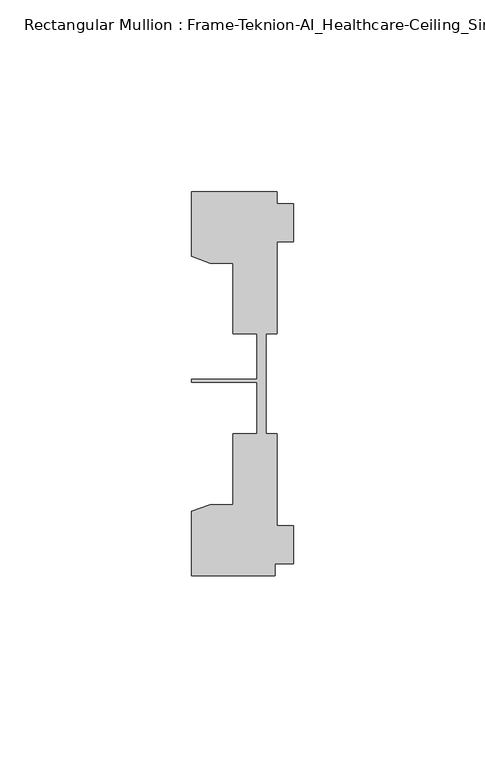
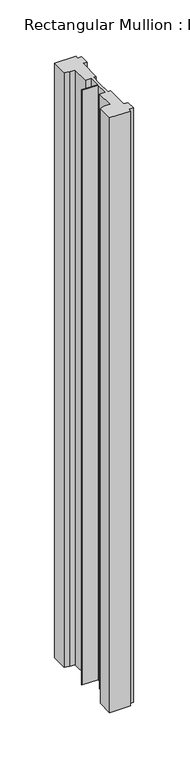
"""IFC4 building model written with IfcOpenShell, lengths in millimetres: member geometry, Rectangular Mullion : Frame-Teknion-AI_Healthcare-Ceiling_Single_Channel."""

from ifc_helpers import new_model, si_unit, frame, origin, place, context, project, spatial, polyline, outline, extrude, source, transform, mapped, element, save


def rectangular_mullion_frame_teknion_ai_healthcare_ceiling_91a9f568(model_context):
    return source(origin(), model_context, "Body", "SweptSolid", [
        extrude(outline(polyline([(-26.4921999, -34.0201677), (-21.6625199, -32.2880982), (-15.6737764, -32.2880982), (-15.6737764, -13.9110722), (-9.4507761, -13.9110722), (-9.4507761, -0.4036528), (-26.4921999, -0.4036528), (-26.4921999, 0.4036528), (-9.4507761, 0.4036528), (-9.4507761, 12.2509301), (-15.6737764, 12.2509301), (-15.6737764, 30.6279561), (-21.6625199, 30.6279561), (-26.4921999, 32.3600207), (-26.4921999, 49.1699293), (-4.2672007, 49.1699293), (-4.2672007, 46.1219322), (0.0, 46.1219322), (0.0, 36.1219249), (-4.2672007, 36.1219249), (-4.2672007, 12.2509301), (-7.1647766, 12.2509301), (-7.1647766, -0.0814804), (-7.1647766, -13.9110722), (-4.2672007, -13.9110722), (-4.2672007, -37.7820716), (0.0, -37.7820716), (0.0, -47.782071), (-4.7752002, -47.782071), (-4.7752002, -50.8315128), (-26.4921999, -50.8315128), (-26.4921999, -34.0201677)])), frame((0.0, 0.0, -660.4), z_axis=(0.0, 0.0, 1.0), x_axis=(1.0, 0.0, 0.0)), (0.0, 0.0, 1.0), 660.4),
    ])


if __name__ == "__main__":
    model = new_model("IFC4")
    model_context = context("Model", 3, world=origin())
    ifc_project = project(units=[si_unit("LENGTHUNIT", "METRE", prefix="MILLI")], contexts=[model_context])
    site = spatial("IfcSite", under=ifc_project)
    building = spatial("IfcBuilding", under=site)
    placement = place(None, origin())
    rectangular_mullion_frame_teknion_ai_healthcare_ceiling_shape = rectangular_mullion_frame_teknion_ai_healthcare_ceiling_91a9f568(model_context)
    element("IfcMember", 1, ObjectType="Rectangular Mullion : Frame-Teknion-AI_Healthcare-Ceiling_Single_Channel", at=placement, inside=building, context=model_context, shape_type="MappedRepresentation", body=[
        mapped(rectangular_mullion_frame_teknion_ai_healthcare_ceiling_shape, transform((0.0, 0.0, 0.0), x_axis=(1.0, 0.0, 0.0), y_axis=(0.0, 1.0, 0.0), z_axis=(0.0, 0.0, 1.0))),
    ])
    save(model, "model.ifc")
